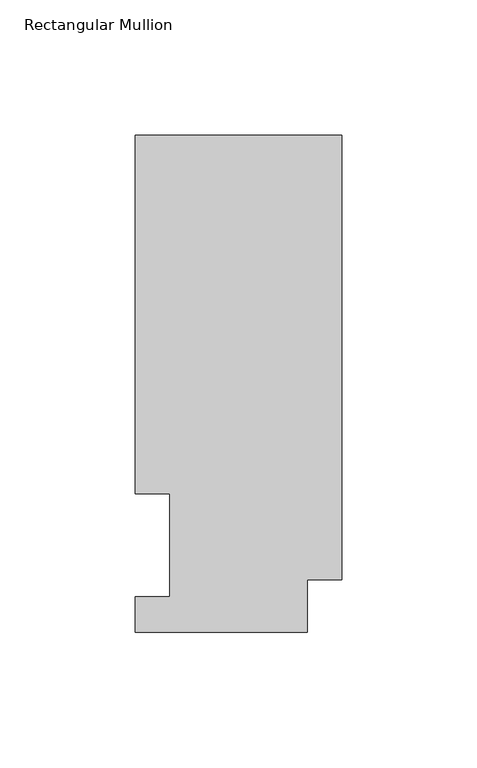
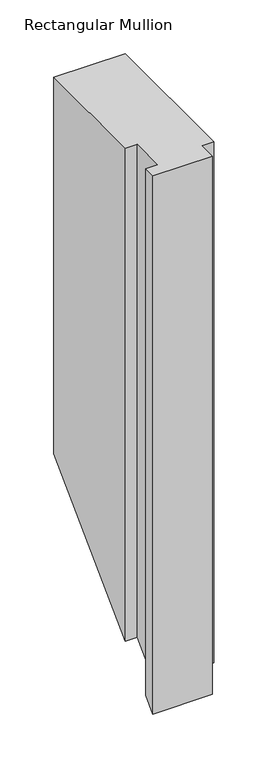
"""IFC4 building model written with IfcOpenShell, lengths in millimetres: member geometry, Rectangular Mullion."""

from ifc_helpers import new_model, si_unit, origin, place, context, project, spatial, faceted_brep, source, transform, mapped, element, save


def rectangular_mullion_70fdedbe(model_context):
    return source(origin(), model_context, "Body", "Brep", [
        faceted_brep([(-76.2000004, 183.6764448, 0.0), (-76.2000004, 51.2960938, 0.0), (-63.5127002, 51.2960938, 0.0), (-63.5127001, 13.2170446, 0.0), (-76.2, 13.2170446, 0.0), (-76.2, 0.0344446, 0.0), (-12.7, 0.0344448, 0.0), (-12.7, 19.5670448, 0.0), (0.0, 19.5670448, 0.0), (0.0, 183.6764448, 0.0), (0.0, 183.6764448, -425.8918052), (-76.2000004, 183.6764448, -425.8918052), (0.0, 19.5670448, -590.0012052), (-12.7, 19.5670448, -590.0012052), (-12.7, 0.0344448, -609.5338052), (-76.2, 0.0344446, -609.5338054), (-76.2, 13.2170446, -596.3512054), (-63.5127001, 13.2170446, -596.3512054), (-63.5127002, 51.2960938, -558.2721563), (-76.2000004, 51.2960938, -558.2721563)], [[[0, 1, 2, 3, 4, 5, 6, 7, 8, 9]], [[0, 9, 10, 11]], [[9, 8, 12, 10]], [[8, 7, 13, 12]], [[7, 6, 14, 13]], [[6, 5, 15, 14]], [[5, 4, 16, 15]], [[4, 3, 17, 16]], [[3, 2, 18, 17]], [[2, 1, 19, 18]], [[1, 0, 11, 19]], [[11, 10, 12, 13, 14, 15, 16, 17, 18, 19]]]),
    ])


if __name__ == "__main__":
    model = new_model("IFC4")
    model_context = context("Model", 3, world=origin())
    ifc_project = project(units=[si_unit("LENGTHUNIT", "METRE", prefix="MILLI")], contexts=[model_context])
    site = spatial("IfcSite", under=ifc_project)
    building = spatial("IfcBuilding", under=site)
    placement = place(None, origin())
    rectangular_mullion_shape = rectangular_mullion_70fdedbe(model_context)
    element("IfcMember", 1, ObjectType="Rectangular Mullion", at=placement, inside=building, context=model_context, shape_type="MappedRepresentation", body=[
        mapped(rectangular_mullion_shape, transform((0.0, 0.0, 0.0), x_axis=(1.0, 0.0, 0.0), y_axis=(0.0, 1.0, 0.0), z_axis=(0.0, 0.0, 1.0))),
    ])
    save(model, "model.ifc")
